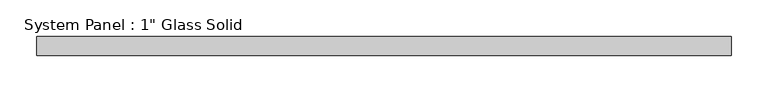
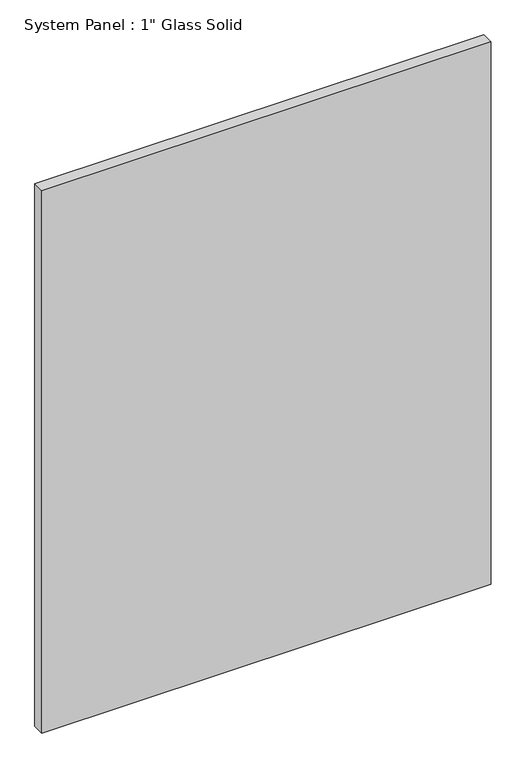
"""IFC4 building model written with IfcOpenShell, lengths in millimetres: plate geometry."""

from ifc_helpers import new_model, si_unit, origin, origin_with_axes, place, context, project, spatial, polyline, outline, extrude, source, transform, mapped, element, save


def plate_ed314dca(model_context):
    return source(origin(), model_context, "Body", "SweptSolid", [
        extrude(outline(polyline([(471.4875, -12.7), (-471.4875, -12.7), (-471.4875, 12.7), (471.4875, 12.7), (471.4875, -12.7)])), origin_with_axes(), (0.0, 0.0, 1.0), 1203.325),
    ])


if __name__ == "__main__":
    model = new_model("IFC4")
    model_context = context("Model", 3, world=origin())
    ifc_project = project(units=[si_unit("LENGTHUNIT", "METRE", prefix="MILLI")], contexts=[model_context])
    site = spatial("IfcSite", under=ifc_project)
    building = spatial("IfcBuilding", under=site)
    placement = place(None, origin())
    plate_shape = plate_ed314dca(model_context)
    element("IfcPlate", 1, ObjectType="System Panel : 1\" Glass Solid", at=placement, inside=building, context=model_context, shape_type="MappedRepresentation", body=[
        mapped(plate_shape, transform((0.0, 0.0, 0.0), x_axis=(1.0, 0.0, 0.0), y_axis=(0.0, 1.0, 0.0), z_axis=(0.0, 0.0, 1.0))),
    ])
    save(model, "model.ifc")
